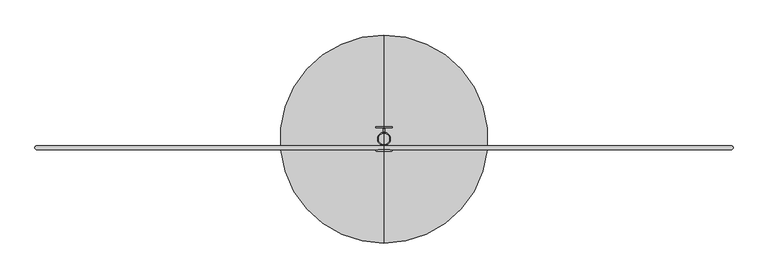
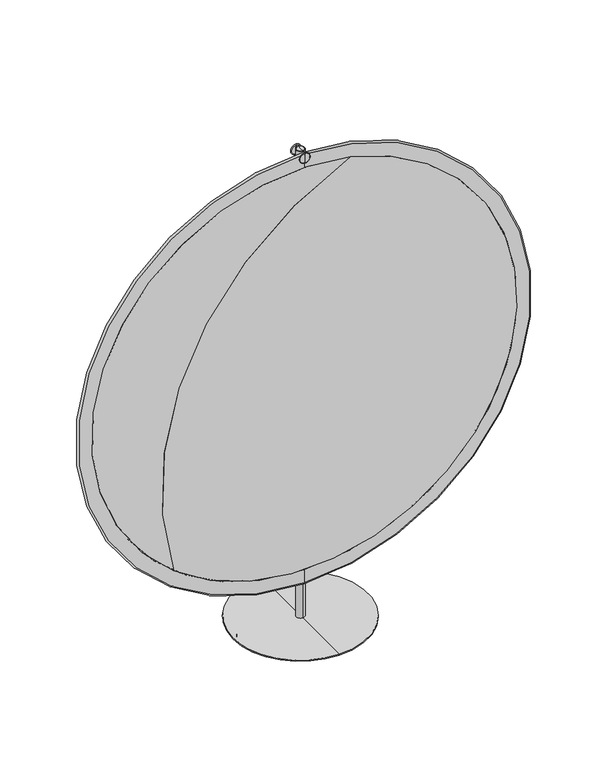
"""IFC4 building model written with IfcOpenShell, lengths in millimetres: furniture geometry."""

import ifcopenshell
import ifcopenshell.guid

model = None  # the IFC model being written
_history = None  # IfcOwnerHistory: only IFC2X3 demands one
_inside = {}  # id of a spatial element -> (the spatial element, [elements in it])
_under = {}  # id of a project, library or spatial element -> (it, [spatial elements below it])
_declared = {}  # id of a project -> (the project, [libraries it declares])
_typed = {}  # id of a type object -> (the type object, [elements of that type])
_made_of = {}  # id of a material, layer set ... -> (it, [elements and type objects made of it])


def new_model(schema):
    """Start an empty IFC model of exactly this schema.

    Asked for "IFC4X3", IfcOpenShell would pick the latest addendum, in which some entities
    have other attributes; the version numbers below select the first issue.
    IFC2X3 requires an IfcOwnerHistory on every rooted entity: one is made here for all.
    """
    global model, _history
    if schema == "IFC4X3":
        model = ifcopenshell.file(schema_version=(4, 3, 0, 0))
    else:
        model = ifcopenshell.file(schema=schema)
    _inside.clear()
    _under.clear()
    _declared.clear()
    _typed.clear()
    _made_of.clear()
    _history = None
    if model.schema == "IFC2X3":
        org = make("IfcOrganization", Name="unknown")
        user = make(
            "IfcPersonAndOrganization",
            ThePerson=make("IfcPerson", FamilyName="unknown"),
            TheOrganization=org,
        )
        app = make(
            "IfcApplication",
            ApplicationDeveloper=org,
            Version="unknown",
            ApplicationFullName="unknown",
            ApplicationIdentifier="unknown",
        )
        _history = make(
            "IfcOwnerHistory",
            OwningUser=user,
            OwningApplication=app,
            ChangeAction="ADDED",
            CreationDate=0,
        )
    return model


def make(cls, **values):
    """One entity of the class cls with the attributes given. An attribute that is None is left unset."""
    return model.create_entity(
        cls, **{name: value for name, value in values.items() if value is not None}
    )


def rooted(cls, **values):
    """An entity with a GlobalId (a new one), such as an element, a storey or a relation."""
    return make(cls, GlobalId=ifcopenshell.guid.new(), OwnerHistory=_history, **values)


def si_unit(unit_type, name, prefix=None):
    """IfcSIUnit, for example si_unit("LENGTHUNIT", "METRE", prefix="MILLI")."""
    return make("IfcSIUnit", UnitType=unit_type, Prefix=prefix, Name=name)


def assignment(units):
    """IfcUnitAssignment: the units of a project."""
    return None if units is None else make("IfcUnitAssignment", Units=units)


def point(xyz):
    """IfcCartesianPoint."""
    return None if xyz is None else make("IfcCartesianPoint", Coordinates=xyz)


def direction(xyz):
    """IfcDirection."""
    return None if xyz is None else make("IfcDirection", DirectionRatios=xyz)


def frame(location, z_axis=None, x_axis=None):
    """IfcAxis2Placement3D, a coordinate frame: its origin and axes. An axis left out is left unset."""
    return make(
        "IfcAxis2Placement3D",
        Location=point(location),
        Axis=direction(z_axis),
        RefDirection=direction(x_axis),
    )


def frame_2d(location, x_axis=None):
    """IfcAxis2Placement2D, a coordinate frame in the plane: its origin and x axis."""
    return make(
        "IfcAxis2Placement2D", Location=point(location), RefDirection=direction(x_axis)
    )


def origin():
    """The frame at (0, 0, 0) with its axes left unset."""
    return frame((0.0, 0.0, 0.0))


def origin_with_axes():
    """The frame at (0, 0, 0) with the z axis (0, 0, 1) and the x axis (1, 0, 0) written out."""
    return frame((0.0, 0.0, 0.0), z_axis=(0.0, 0.0, 1.0), x_axis=(1.0, 0.0, 0.0))


def place(relative_to, where):
    """IfcLocalPlacement: puts the frame where relative to a parent placement (None: the world)."""
    return make(
        "IfcLocalPlacement", PlacementRelTo=relative_to, RelativePlacement=where
    )


def context(
    kind, dimensions, precision=None, world=None, true_north=None, identifier=None
):
    """IfcGeometricRepresentationContext, for example the 3D "Model" context."""
    return make(
        "IfcGeometricRepresentationContext",
        ContextIdentifier=identifier,
        ContextType=kind,
        CoordinateSpaceDimension=dimensions,
        Precision=precision,
        WorldCoordinateSystem=world,
        TrueNorth=true_north,
    )


def project(units=None, contexts=None):
    """IfcProject with its units and contexts."""
    return rooted(
        "IfcProject",
        Name="project",
        RepresentationContexts=contexts,
        UnitsInContext=assignment(units),
    )


def spatial(cls, under=None, at=None, **own):
    """A site, building, storey or space (cls), placed at a placement, below another one or the project."""
    s = rooted(cls, ObjectPlacement=at, **own)
    if under is not None:
        _under.setdefault(under.id(), (under, []))[1].append(s)
    return s


def polyline(points):
    """IfcPolyline through the points."""
    return make("IfcPolyline", Points=[point(p) for p in points])


def circle_curve(where, radius):
    """IfcCircle in the frame where."""
    return make("IfcCircle", Position=where, Radius=radius)


def ellipse_curve(where, semi_axis1, semi_axis2):
    """IfcEllipse in the frame where."""
    return make(
        "IfcEllipse", Position=where, SemiAxis1=semi_axis1, SemiAxis2=semi_axis2
    )


def trimmed(basis, trim1, trim2, sense, master):
    """IfcTrimmedCurve: the piece of a basis curve between two trims."""
    return make(
        "IfcTrimmedCurve",
        BasisCurve=basis,
        Trim1=trim1,
        Trim2=trim2,
        SenseAgreement=sense,
        MasterRepresentation=master,
    )


def segment(curve, same_sense, transition):
    """IfcCompositeCurveSegment."""
    return make(
        "IfcCompositeCurveSegment",
        Transition=transition,
        SameSense=same_sense,
        ParentCurve=curve,
    )


def composite_curve(segments, self_intersect=None):
    """IfcCompositeCurve: segments joined end to end."""
    return make("IfcCompositeCurve", Segments=segments, SelfIntersect=self_intersect)


def outline(outer, holes=None, kind="AREA"):
    """IfcArbitraryClosedProfileDef: a profile drawn as a closed curve; with holes, ...WithVoids."""
    if holes is None:
        return make("IfcArbitraryClosedProfileDef", ProfileType=kind, OuterCurve=outer)
    return make(
        "IfcArbitraryProfileDefWithVoids",
        ProfileType=kind,
        OuterCurve=outer,
        InnerCurves=holes,
    )


def extrude(swept, where, along, depth):
    """IfcExtrudedAreaSolid: the profile swept, set in the frame where, extruded along a direction by depth."""
    return make(
        "IfcExtrudedAreaSolid",
        SweptArea=swept,
        Position=where,
        ExtrudedDirection=direction(along),
        Depth=depth,
    )


def shape(context_of_items, identifier, shape_type, items):
    """IfcShapeRepresentation: the items that make up one representation, for example the "Body"."""
    return make(
        "IfcShapeRepresentation",
        ContextOfItems=context_of_items,
        RepresentationIdentifier=identifier,
        RepresentationType=shape_type,
        Items=items,
    )


def source(mapping_origin, context_of_items, identifier, shape_type, items):
    """IfcRepresentationMap: a shape defined once, which mapped items show again and again."""
    return make(
        "IfcRepresentationMap",
        MappingOrigin=mapping_origin,
        MappedRepresentation=shape(context_of_items, identifier, shape_type, items),
    )


def transform(
    local_origin,
    x_axis=None,
    y_axis=None,
    z_axis=None,
    scale=None,
    scale2=None,
    scale3=None,
    uniform=True,
):
    """IfcCartesianTransformationOperator3D, or its non-uniform kind. x_axis, y_axis, z_axis: its Axis1, 2, 3."""
    if uniform:
        return make(
            "IfcCartesianTransformationOperator3D",
            Axis1=direction(x_axis),
            Axis2=direction(y_axis),
            LocalOrigin=point(local_origin),
            Scale=scale,
            Axis3=direction(z_axis),
        )
    return make(
        "IfcCartesianTransformationOperator3DnonUniform",
        Axis1=direction(x_axis),
        Axis2=direction(y_axis),
        LocalOrigin=point(local_origin),
        Scale=scale,
        Axis3=direction(z_axis),
        Scale2=scale2,
        Scale3=scale3,
    )


def mapped(mapping_source, mapping_target):
    """IfcMappedItem: shows the shape of a source again, moved by a transform."""
    return make(
        "IfcMappedItem", MappingSource=mapping_source, MappingTarget=mapping_target
    )


def made_of(thing, what):
    """Note that an element or type object is made of a material, layer set ...; save() writes the relation."""
    if what is not None:
        _made_of.setdefault(what.id(), (what, []))[1].append(thing)
    return thing


def element(
    cls,
    number,
    at=None,
    inside=None,
    cuts=None,
    type_object=None,
    material=None,
    context=None,
    identifier="Body",
    shape_type=None,
    held_by="IfcProductDefinitionShape",
    body=None,
    shapes=None,
    **own,
):
    """One element of the class cls, such as IfcWall. Its Tag is "e" and its number.

    at: its placement. inside: the storey or other place that contains it. cuts: it is an
    opening in that element (IfcRelVoidsElement). A single representation is given by context,
    identifier, shape_type and body (its items); several are given by shapes. held_by: the class
    of the entity that holds the representations. save() writes the other relations.
    """
    e = rooted(cls, Tag="e%d" % number, ObjectPlacement=at, **own)
    if body is not None:
        shapes = [shape(context, identifier, shape_type, body)]
    if shapes is not None:
        e.Representation = make(held_by, Representations=shapes)
    if inside is not None:
        _inside.setdefault(inside.id(), (inside, []))[1].append(e)
    if cuts is not None:
        rooted(
            "IfcRelVoidsElement", RelatingBuildingElement=cuts, RelatedOpeningElement=e
        )
    if type_object is not None:
        _typed.setdefault(type_object.id(), (type_object, []))[1].append(e)
    return made_of(e, material)


def aggregate(whole, parts):
    """IfcRelAggregates: a whole, such as a stair, and the parts it consists of."""
    return rooted("IfcRelAggregates", RelatingObject=whole, RelatedObjects=parts)


def save(model, path):
    """Write the relations noted so far, then the file.

    IfcRelAggregates (storeys below a building ...), IfcRelContainedInSpatialStructure (elements
    in a storey), IfcRelDefinesByType, IfcRelAssociatesMaterial and IfcRelDeclares: one each for
    every whole, place, type object, material and project.
    """
    for whole, parts in _under.values():
        aggregate(whole, parts)
    for where, things in _inside.values():
        rooted(
            "IfcRelContainedInSpatialStructure",
            RelatedElements=things,
            RelatingStructure=where,
        )
    for kind, things in _typed.values():
        rooted("IfcRelDefinesByType", RelatedObjects=things, RelatingType=kind)
    for what, things in _made_of.values():
        rooted("IfcRelAssociatesMaterial", RelatedObjects=things, RelatingMaterial=what)
    for by, libraries in _declared.values():
        rooted("IfcRelDeclares", RelatingContext=by, RelatedDefinitions=libraries)
    model.write(path)


def plane_surface(at):
    """IfcPlane: the flat surface through the origin of the frame at, square to its z axis."""
    return make("IfcPlane", Position=at)


def cylinder_surface(at, radius):
    """IfcCylindricalSurface: all points at the distance radius from the z axis of the frame at."""
    return make("IfcCylindricalSurface", Position=at, Radius=radius)


def revolved_surface(curve, axis_point, axis_direction):
    """IfcSurfaceOfRevolution: the curve turned about the line through axis_point along axis_direction."""
    return make(
        "IfcSurfaceOfRevolution",
        SweptCurve=make("IfcArbitraryOpenProfileDef", ProfileType="CURVE", Curve=curve),
        AxisPosition=make("IfcAxis1Placement", Location=point(axis_point), Axis=direction(axis_direction)),
    )


def advanced_brep(points, edges, surfaces, faces):
    """IfcAdvancedBrep: a solid bounded by faces that lie on surfaces and meet in shared edges.

    An edge is (start, end): straight between two places in points (the first is 0);
    or (start, end, curve); or (start, end, curve, False) where it runs against its curve.
    A face is (place in surfaces, loops), or (place, loops, False) where it looks against
    its surface's normal. A loop lists edges by number (the first is 1), with a minus sign
    where the edge is run from its end to its start. The first loop is the outer one.
    """
    corners = [point(p) for p in points]
    vertices = [make("IfcVertexPoint", VertexGeometry=c) for c in corners]
    made = []
    for start, end, *more in edges:
        made.append(
            make(
                "IfcEdgeCurve",
                EdgeStart=vertices[start],
                EdgeEnd=vertices[end],
                EdgeGeometry=more[0] if more else make("IfcPolyline", Points=[corners[start], corners[end]]),
                SameSense=more[1] if len(more) > 1 else True,
            )
        )
    hull = []
    for where, loops, *sense in faces:
        bounds = []
        for j, loop in enumerate(loops):
            ring = [make("IfcOrientedEdge", EdgeElement=made[abs(k) - 1], Orientation=k > 0) for k in loop]
            bounds.append(
                make(
                    "IfcFaceOuterBound" if j == 0 else "IfcFaceBound",
                    Bound=make("IfcEdgeLoop", EdgeList=ring),
                    Orientation=True,
                )
            )
        hull.append(make("IfcAdvancedFace", Bounds=bounds, FaceSurface=surfaces[where], SameSense=sense[0] if sense else True))
    return make("IfcAdvancedBrep", Outer=make("IfcClosedShell", CfsFaces=hull))


def furniture_e8cffe8c(model_context):
    return source(origin(), model_context, "Body", "SolidModel", [
        extrude(outline(composite_curve([segment(trimmed(circle_curve(frame_2d((0.0, 162.9503786)), 25.4), [point((-25.4, 162.9503786))], [point((25.4, 162.9503786))], False, "CARTESIAN"), True, "CONTINUOUS"), segment(trimmed(circle_curve(frame_2d((0.0, 162.9503786)), 25.4), [point((25.4, 162.9503786))], [point((-25.4, 162.9503786))], False, "CARTESIAN"), True, "CONTINUOUS")], self_intersect=False)), origin_with_axes(), (0.0, 0.0, 1.0), 8.8360062),
        extrude(outline(composite_curve([segment(trimmed(circle_curve(frame_2d((162.9503786, 0.0)), 25.4), [point((137.5503786, 0.0))], [point((188.3503786, 0.0))], False, "CARTESIAN"), True, "CONTINUOUS"), segment(trimmed(circle_curve(frame_2d((162.9503786, 0.0)), 25.4), [point((188.3503786, 0.0))], [point((137.5503786, 0.0))], False, "CARTESIAN"), True, "CONTINUOUS")], self_intersect=False)), origin_with_axes(), (0.0, 0.0, 1.0), 8.8360062),
        extrude(outline(composite_curve([segment(trimmed(circle_curve(frame_2d((0.0, -162.9503786)), 25.4), [point((-25.4, -162.9503786))], [point((25.4, -162.9503786))], False, "CARTESIAN"), True, "CONTINUOUS"), segment(trimmed(circle_curve(frame_2d((0.0, -162.9503786)), 25.4), [point((25.4, -162.9503786))], [point((-25.4, -162.9503786))], False, "CARTESIAN"), True, "CONTINUOUS")], self_intersect=False)), origin_with_axes(), (0.0, 0.0, 1.0), 8.8360062),
        extrude(outline(composite_curve([segment(trimmed(circle_curve(frame_2d((-162.9503786, 0.0)), 25.4), [point((-188.3503786, 0.0))], [point((-137.5503786, 0.0))], False, "CARTESIAN"), True, "CONTINUOUS"), segment(trimmed(circle_curve(frame_2d((-162.9503786, 0.0)), 25.4), [point((-137.5503786, 0.0))], [point((-188.3503786, 0.0))], False, "CARTESIAN"), True, "CONTINUOUS")], self_intersect=False)), origin_with_axes(), (0.0, 0.0, 1.0), 8.8360062),
        extrude(outline(composite_curve([segment(trimmed(circle_curve(frame_2d((810.6377754, 0.0)), 640.5483958), [point((1435.956123, 138.8496004))], [point((304.5099252, -392.6026574))], False, "CARTESIAN"), True, "CONTINUOUS"), segment(trimmed(circle_curve(frame_2d((569.060562, 514.3107694)), 944.7110686), [point((304.5099252, -392.6026574))], [point((1435.956123, 138.8496004))], True, "CARTESIAN"), True, "CONTINUOUS")], self_intersect=False)), frame((0.0, -20.828, 0.0), z_axis=(0.0, 1.0, 0.0), x_axis=(0.0, 0.0, 1.0)), (0.0, 0.0, 1.0), 7.62),
        extrude(outline(composite_curve([segment(trimmed(circle_curve(frame_2d((569.060562, 514.3107694)), 944.7110686), [point((1435.956123, 138.8496004))], [point((304.5099252, -392.6026574))], False, "CARTESIAN"), True, "CONTINUOUS"), segment(trimmed(circle_curve(frame_2d((810.6377754, 0.0)), 640.5483958), [point((304.5099252, -392.6026574))], [point((1435.956123, 138.8496004))], False, "CARTESIAN"), True, "CONTINUOUS")], self_intersect=False)), frame((0.0, -20.828, 0.0), z_axis=(0.0, 1.0, 0.0), x_axis=(0.0, 0.0, 1.0)), (0.0, 0.0, 1.0), 7.62),
        advanced_brep(
        [(0.0, -20.828, 128.6477754), (0.0, -20.828, 1492.6277754), (0.0, -13.208, 1492.6277754), (0.0, -13.208, 128.6477754), (0.0, -20.828, 170.1767754), (0.0, -20.828, 1451.0987754), (0.0, -13.208, 170.1767754), (0.0, -13.208, 1451.0987754)],
        [
            (0, 1, circle_curve(frame((0.0, -20.828, 810.6377754), z_axis=(0.0, 1.0, 0.0), x_axis=(0.0, 0.0, 1.0)), 681.99)),
            (1, 2, circle_curve(frame((0.0, -17.018, 1492.6277754), z_axis=(-1.0, 0.0, 0.0), x_axis=(0.0, 1.0, 0.0)), 3.81)),
            (2, 3, circle_curve(frame((0.0, -13.208, 810.6377754), z_axis=(0.0, -1.0, 0.0), x_axis=(0.0, 0.0, 1.0)), 681.99)),
            (3, 0, circle_curve(frame((0.0, -17.018, 128.6477754), z_axis=(-1.0, 0.0, 0.0), x_axis=(0.0, 1.0, 0.0)), 3.81)),
            (1, 0, circle_curve(frame((0.0, -20.828, 810.6377754), z_axis=(0.0, 1.0, 0.0), x_axis=(0.0, 0.0, 1.0)), 681.99)),
            (3, 2, circle_curve(frame((0.0, -13.208, 810.6377754), z_axis=(0.0, -1.0, 0.0), x_axis=(0.0, 0.0, 1.0)), 681.99)),
            (4, 5, circle_curve(frame((0.0, -20.828, 810.6377754), z_axis=(0.0, 1.0, 0.0), x_axis=(0.0, 0.0, 1.0)), 640.461)),
            (5, 1),
            (0, 4),
            (5, 4, circle_curve(frame((0.0, -20.828, 810.6377754), z_axis=(0.0, 1.0, 0.0), x_axis=(0.0, 0.0, 1.0)), 640.461)),
            (6, 7, circle_curve(frame((0.0, -13.208, 810.6377754), z_axis=(0.0, 1.0, 0.0), x_axis=(0.0, 0.0, 1.0)), 640.461)),
            (7, 5),
            (4, 6),
            (7, 6, circle_curve(frame((0.0, -13.208, 810.6377754), z_axis=(0.0, 1.0, 0.0), x_axis=(0.0, 0.0, 1.0)), 640.461)),
            (2, 7),
            (6, 3),
        ],
        [
            revolved_surface(trimmed(ellipse_curve(frame((0.0, -17.018, 1492.6277754), z_axis=(1.0, 0.0, 0.0), x_axis=(0.0, 1.0, 0.0)), 3.81, 3.81), [point((0.0, -13.208, 1492.6277754))], [point((0.0, -20.828, 1492.6277754))], True, "CARTESIAN"), (0.0, 101.6, 810.6377754), (0.0, -1.0, 0.0)),
            plane_surface(frame((0.0, -20.828, 810.6377754), z_axis=(0.0, -1.0, 0.0), x_axis=(0.0, 0.0, 1.0))),
            revolved_surface(polyline([(0.0, -20.828000000000003, 1451.0987754), (0.0, -13.207999999999998, 1451.0987754)]), (0.0, 101.6, 810.6377754), (0.0, -1.0, 0.0)),
            plane_surface(frame((0.0, -13.208, 810.6377754), z_axis=(0.0, 1.0, 0.0), x_axis=(0.0, 0.0, 1.0))),
        ],
        [
            (0, [[1, 2, 3, 4]]),
            (0, [[5, -4, 6, -2]]),
            (1, [[7, 8, -1, 9]]),
            (1, [[10, -9, -5, -8]]),
            (2, [[11, 12, -7, 13]]),
            (2, [[14, -13, -10, -12]]),
            (3, [[-3, 15, -11, 16]]),
            (3, [[-6, -16, -14, -15]]),
        ],
    ),
        advanced_brep(
        [(1.651, 21.082, 1492.6277754), (1.651, 12.954, 1492.6277754), (1.651, -12.954, 1492.6277754), (1.651, -21.082, 1492.6277754), (1.651, -21.336, 1492.6277754), (1.651, -21.336, 1472.5617754), (1.651, 21.336, 1472.5617754), (1.651, 21.336, 1492.6277754), (-1.651, -21.082, 1492.6277754), (-1.651, -12.954, 1492.6277754), (-1.651, 12.954, 1492.6277754), (-1.651, 21.082, 1492.6277754), (-1.651, 21.336, 1492.6277754), (-1.651, 21.336, 1472.5617754), (-1.651, -21.336, 1472.5617754), (-1.651, -21.336, 1492.6277754), (0.0, -21.336, 1472.5617754), (0.0, 21.336, 1472.5617754), (0.0, 21.336, 1492.6277754), (0.0, -21.336, 1492.6277754), (0.0, 21.336, 1467.9865508), (0.0, 21.336, 1497.203), (0.0, 24.13, 1497.203), (0.0, 24.13, 1467.9865508), (0.0, 24.13, 1482.5947754), (0.0, -24.13, 1482.5947754), (0.0, -24.13, 1497.203), (0.0, -24.13, 1467.9865508), (0.0, -21.336, 1467.9865508), (0.0, -21.336, 1497.203)],
        [
            (0, 1, circle_curve(frame((1.651, 17.018, 1492.6277754), z_axis=(-1.0, 0.0, 0.0), x_axis=(0.0, 1.0, 0.0)), 4.064)),
            (1, 2),
            (2, 3, circle_curve(frame((1.651, -17.018, 1492.6277754), z_axis=(-1.0, 0.0, 0.0), x_axis=(0.0, 1.0, 0.0)), 4.064)),
            (3, 4),
            (4, 5),
            (5, 6),
            (6, 7),
            (7, 0),
            (8, 9, circle_curve(frame((-1.651, -17.018, 1492.6277754), z_axis=(1.0, 0.0, 0.0), x_axis=(0.0, 1.0, 0.0)), 4.064)),
            (9, 10),
            (10, 11, circle_curve(frame((-1.651, 17.018, 1492.6277754), z_axis=(1.0, 0.0, 0.0), x_axis=(0.0, 1.0, 0.0)), 4.064)),
            (11, 12),
            (12, 13),
            (13, 14),
            (14, 15),
            (15, 8),
            (5, 16),
            (16, 14),
            (13, 17),
            (17, 6),
            (11, 0),
            (7, 18),
            (18, 12),
            (10, 1),
            (9, 2),
            (3, 8),
            (15, 19),
            (19, 4),
            (20, 21, circle_curve(frame((0.0, 21.336, 1482.5947754), z_axis=(0.0, 1.0, 0.0), x_axis=(0.0, 0.0, 1.0)), 14.6082246)),
            (21, 22, circle_curve(frame((0.0, 22.733, 1497.203), z_axis=(-1.0, 0.0, 0.0), x_axis=(0.0, 1.0, 0.0)), 1.397)),
            (22, 23, circle_curve(frame((0.0, 24.13, 1482.5947754), z_axis=(0.0, -1.0, 0.0), x_axis=(0.0, 0.0, 1.0)), 14.6082246)),
            (23, 20, circle_curve(frame((0.0, 22.733, 1467.9865508), z_axis=(-1.0, 0.0, 0.0), x_axis=(0.0, 1.0, 0.0)), 1.397)),
            (21, 20, circle_curve(frame((0.0, 21.336, 1482.5947754), z_axis=(0.0, 1.0, 0.0), x_axis=(0.0, 0.0, 1.0)), 14.6082246)),
            (23, 22, circle_curve(frame((0.0, 24.13, 1482.5947754), z_axis=(0.0, -1.0, 0.0), x_axis=(0.0, 0.0, 1.0)), 14.6082246)),
            (20, 17),
            (18, 21),
            (22, 24),
            (24, 23),
            (25, 26),
            (26, 27, circle_curve(frame((0.0, -24.13, 1482.5947754), z_axis=(0.0, -1.0, 0.0), x_axis=(0.0, 0.0, 1.0)), 14.6082246)),
            (27, 25),
            (27, 26, circle_curve(frame((0.0, -24.13, 1482.5947754), z_axis=(0.0, -1.0, 0.0), x_axis=(0.0, 0.0, 1.0)), 14.6082246)),
            (28, 29, circle_curve(frame((0.0, -21.336, 1482.5947754), z_axis=(0.0, 1.0, 0.0), x_axis=(0.0, 0.0, 1.0)), 14.6082246)),
            (29, 19),
            (16, 28),
            (29, 28, circle_curve(frame((0.0, -21.336, 1482.5947754), z_axis=(0.0, 1.0, 0.0), x_axis=(0.0, 0.0, 1.0)), 14.6082246)),
            (26, 29, circle_curve(frame((0.0, -22.733, 1497.203), z_axis=(-1.0, 0.0, 0.0), x_axis=(0.0, 1.0, 0.0)), 1.397)),
            (28, 27, circle_curve(frame((0.0, -22.733, 1467.9865508), z_axis=(-1.0, 0.0, 0.0), x_axis=(0.0, 1.0, 0.0)), 1.397)),
        ],
        [
            plane_surface(frame((1.651, 22.733, 1492.6277754), z_axis=(1.0, 0.0, 0.0), x_axis=(0.0, -1.0, 0.0))),
            plane_surface(frame((-1.651, 22.733, 1492.6277754), z_axis=(-1.0, 0.0, 0.0), x_axis=(0.0, 1.0, 0.0))),
            plane_surface(frame((1.651, -22.733, 1472.5617754), z_axis=(0.0, 0.0, -1.0), x_axis=(-1.0, 0.0, 0.0))),
            plane_surface(frame((1.651, 22.733, 1492.6277754), z_axis=(0.0, 0.0, 1.0), x_axis=(-1.0, 0.0, 0.0))),
            revolved_surface(polyline([(-1.651, 21.082, 1492.6277754), (1.651, 21.082, 1492.6277754)]), (-1.651, 17.018, 1492.6277754), (-1.0, 0.0, 0.0)),
            plane_surface(frame((1.651, 12.954, 1492.6277754), z_axis=(0.0, 0.0, 1.0), x_axis=(-1.0, 0.0, 0.0))),
            plane_surface(frame((1.651, -21.082, 1492.6277754), z_axis=(0.0, 0.0, 1.0), x_axis=(-1.0, 0.0, 0.0))),
            revolved_surface(trimmed(ellipse_curve(frame((0.0, 22.733, 1497.203), z_axis=(1.0, 0.0, 0.0), x_axis=(0.0, 1.0, 0.0)), 1.397, 1.397), [point((0.0, 24.13, 1497.203))], [point((0.0, 21.336, 1497.203))], True, "CARTESIAN"), (0.0, 18.1630479, 1482.5947754), (0.0, -1.0, 0.0)),
            plane_surface(frame((0.0, 21.336, 1482.5947754), z_axis=(0.0, -1.0, 0.0), x_axis=(0.0, 0.0, 1.0))),
            plane_surface(frame((0.0, 24.13, 1482.5947754), z_axis=(0.0, 1.0, 0.0), x_axis=(0.0, 0.0, 1.0))),
            plane_surface(frame((0.0, -24.13, 1482.5947754), z_axis=(0.0, -1.0, 0.0), x_axis=(0.0, 0.0, 1.0))),
            plane_surface(frame((0.0, -21.336, 1482.5947754), z_axis=(0.0, 1.0, 0.0), x_axis=(0.0, 0.0, 1.0))),
            revolved_surface(trimmed(ellipse_curve(frame((0.0, -22.733, 1497.203), z_axis=(1.0, 0.0, 0.0), x_axis=(0.0, 1.0, 0.0)), 1.397, 1.397), [point((0.0, -21.336, 1497.203))], [point((0.0, -24.13, 1497.203))], True, "CARTESIAN"), (0.0, 18.1630479, 1482.5947754), (0.0, -1.0, 0.0)),
            revolved_surface(polyline([(-1.651, -12.954, 1492.6277754), (1.651, -12.954, 1492.6277754)]), (-1.651, -17.018, 1492.6277754), (-1.0, 0.0, 0.0)),
        ],
        [
            (0, [[1, 2, 3, 4, 5, 6, 7, 8]]),
            (1, [[9, 10, 11, 12, 13, 14, 15, 16]]),
            (2, [[-6, 17, 18, -14, 19, 20]]),
            (3, [[21, -8, 22, 23, -12]]),
            (4, [[-1, -21, -11, 24]]),
            (5, [[-2, -24, -10, 25]]),
            (6, [[26, -16, 27, 28, -4]]),
            (7, [[29, 30, 31, 32]]),
            (7, [[-30, 33, -32, 34]]),
            (8, [[-29, 35, -19, -13, -23, 36]]),
            (8, [[-33, -36, -22, -7, -20, -35]]),
            (9, [[-31, 37, 38]]),
            (9, [[-34, -38, -37]]),
            (10, [[39, 40, 41]]),
            (10, [[-39, -41, 42]]),
            (11, [[43, 44, -27, -15, -18, 45]]),
            (11, [[46, -45, -17, -5, -28, -44]]),
            (12, [[-40, 47, -43, 48]]),
            (12, [[-42, -48, -46, -47]]),
            (13, [[-3, -25, -9, -26]]),
        ],
    ),
        advanced_brep(
        [(0.0, -203.2, 8.8360062), (0.0, 203.2, 8.8360062), (0.0, 0.0, 8.8360062), (0.0, -203.2, 12.1157909), (0.0, 203.2, 12.1157909), (0.0, -12.7, 12.1157909), (0.0, 12.7, 12.1157909), (0.0, -12.7, 1497.454236), (0.0, 12.7, 1497.454236), (0.0, -11.554236, 1498.6), (0.0, 11.554236, 1498.6), (0.0, 0.0, 1498.6)],
        [
            (0, 1, circle_curve(frame((0.0, 0.0, 8.8360062), z_axis=(0.0, 0.0, -1.0), x_axis=(0.0, 1.0, 0.0)), 203.2)),
            (1, 2),
            (2, 0),
            (1, 0, circle_curve(frame((0.0, 0.0, 8.8360062), z_axis=(0.0, 0.0, -1.0), x_axis=(0.0, 1.0, 0.0)), 203.2)),
            (3, 4, circle_curve(frame((0.0, 0.0, 12.1157909), z_axis=(0.0, 0.0, -1.0), x_axis=(0.0, 1.0, 0.0)), 203.2)),
            (4, 1),
            (0, 3),
            (4, 3, circle_curve(frame((0.0, 0.0, 12.1157909), z_axis=(0.0, 0.0, -1.0), x_axis=(0.0, 1.0, 0.0)), 203.2)),
            (5, 6, circle_curve(frame((0.0, 0.0, 12.1157909), z_axis=(0.0, 0.0, -1.0), x_axis=(0.0, 1.0, 0.0)), 12.7)),
            (6, 4),
            (3, 5),
            (6, 5, circle_curve(frame((0.0, 0.0, 12.1157909), z_axis=(0.0, 0.0, -1.0), x_axis=(0.0, 1.0, 0.0)), 12.7)),
            (7, 8, circle_curve(frame((0.0, 0.0, 1497.454236), z_axis=(0.0, 0.0, -1.0), x_axis=(0.0, 1.0, 0.0)), 12.7)),
            (8, 6),
            (5, 7),
            (8, 7, circle_curve(frame((0.0, 0.0, 1497.454236), z_axis=(0.0, 0.0, -1.0), x_axis=(0.0, 1.0, 0.0)), 12.7)),
            (9, 10, circle_curve(frame((0.0, 0.0, 1498.6), z_axis=(0.0, 0.0, -1.0), x_axis=(0.0, 1.0, 0.0)), 11.554236)),
            (10, 8),
            (7, 9),
            (10, 9, circle_curve(frame((0.0, 0.0, 1498.6), z_axis=(0.0, 0.0, -1.0), x_axis=(0.0, 1.0, 0.0)), 11.554236)),
            (11, 10),
            (9, 11),
        ],
        [
            plane_surface(frame((0.0, 0.0, 8.8360062), z_axis=(0.0, 0.0, -1.0), x_axis=(0.0, 1.0, 0.0))),
            cylinder_surface(frame((0.0, 0.0, 1555.75), z_axis=(0.0, 0.0, 1.0), x_axis=(0.0, 1.0, 0.0)), 203.2),
            plane_surface(frame((0.0, 0.0, 12.1157909), z_axis=(0.0, 0.0, 1.0), x_axis=(0.0, 1.0, 0.0))),
            cylinder_surface(frame((0.0, 0.0, 1555.75), z_axis=(0.0, 0.0, 1.0), x_axis=(0.0, 1.0, 0.0)), 12.7),
            revolved_surface(polyline([(0.0, 12.7, 1497.454236), (0.0, 11.554236, 1498.6)]), (0.0, 0.0, 1555.75), (0.0, 0.0, 1.0)),
            plane_surface(frame((0.0, 0.0, 1498.6), z_axis=(0.0, 0.0, 1.0), x_axis=(0.0, 1.0, 0.0))),
        ],
        [
            (0, [[1, 2, 3]]),
            (0, [[4, -3, -2]]),
            (1, [[5, 6, -1, 7]]),
            (1, [[8, -7, -4, -6]]),
            (2, [[9, 10, -5, 11]]),
            (2, [[12, -11, -8, -10]]),
            (3, [[13, 14, -9, 15]]),
            (3, [[16, -15, -12, -14]]),
            (4, [[17, 18, -13, 19]]),
            (4, [[20, -19, -16, -18]]),
            (5, [[21, -17, 22]]),
            (5, [[-22, -20, -21]]),
        ],
    ),
    ])


if __name__ == "__main__":
    model = new_model("IFC4")
    model_context = context("Model", 3, world=origin())
    ifc_project = project(units=[si_unit("LENGTHUNIT", "METRE", prefix="MILLI")], contexts=[model_context])
    site = spatial("IfcSite", under=ifc_project)
    building = spatial("IfcBuilding", under=site)
    placement = place(None, origin())
    furniture_shape = furniture_e8cffe8c(model_context)
    element("IfcFurniture", 1, at=placement, inside=building, context=model_context, shape_type="MappedRepresentation", body=[
        mapped(furniture_shape, transform((0.0, 0.0, 0.0), x_axis=(1.0, 0.0, 0.0), y_axis=(0.0, 1.0, 0.0), z_axis=(0.0, 0.0, 1.0))),
    ])
    save(model, "model.ifc")
